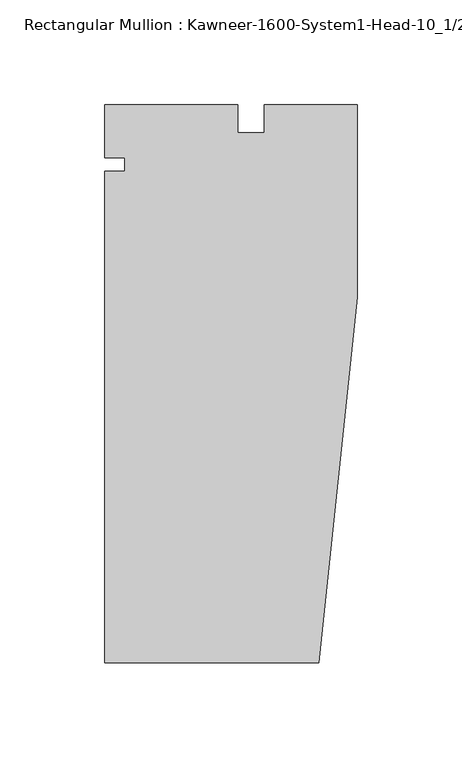
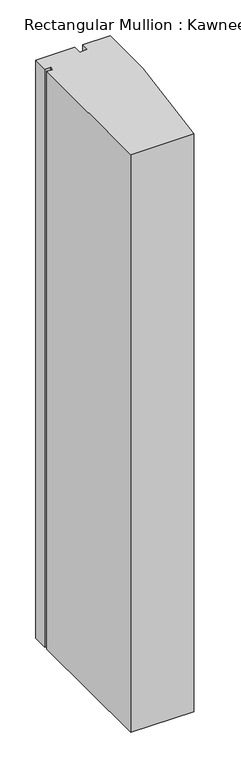
"""IFC4 building model written with IfcOpenShell, lengths in millimetres: member geometry."""

from ifc_helpers import new_model, si_unit, frame, origin, place, context, project, spatial, polyline, outline, extrude, source, transform, mapped, element, save


def member_1e1c07af(model_context):
    return source(origin(), model_context, "Body", "SweptSolid", [
        extrude(outline(polyline([(-120.65, -3.175), (-111.125, -3.175), (-111.125, 3.175), (-120.65, 3.175), (-120.65, 28.575), (-57.15, 28.575), (-57.15, 15.08125), (-44.45, 15.08125), (-44.45, 28.575), (0.0, 28.575), (0.0, -63.5), (-18.3538271, -238.125), (-120.65, -238.125), (-120.65, -3.175)])), frame((0.0, 0.0, -990.6), z_axis=(0.0, 0.0, 1.0), x_axis=(1.0, 0.0, 0.0)), (0.0, 0.0, 1.0), 990.6),
    ])


if __name__ == "__main__":
    model = new_model("IFC4")
    model_context = context("Model", 3, world=origin())
    ifc_project = project(units=[si_unit("LENGTHUNIT", "METRE", prefix="MILLI")], contexts=[model_context])
    site = spatial("IfcSite", under=ifc_project)
    building = spatial("IfcBuilding", under=site)
    placement = place(None, origin())
    member_shape = member_1e1c07af(model_context)
    element("IfcMember", 1, ObjectType="Rectangular Mullion : Kawneer-1600-System1-Head-10_1/2\"-1/4\"Infill-1B", at=placement, inside=building, context=model_context, shape_type="MappedRepresentation", body=[
        mapped(member_shape, transform((0.0, 0.0, 0.0), x_axis=(1.0, 0.0, 0.0), y_axis=(0.0, 1.0, 0.0), z_axis=(0.0, 0.0, 1.0))),
    ])
    save(model, "model.ifc")
